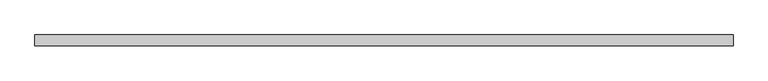
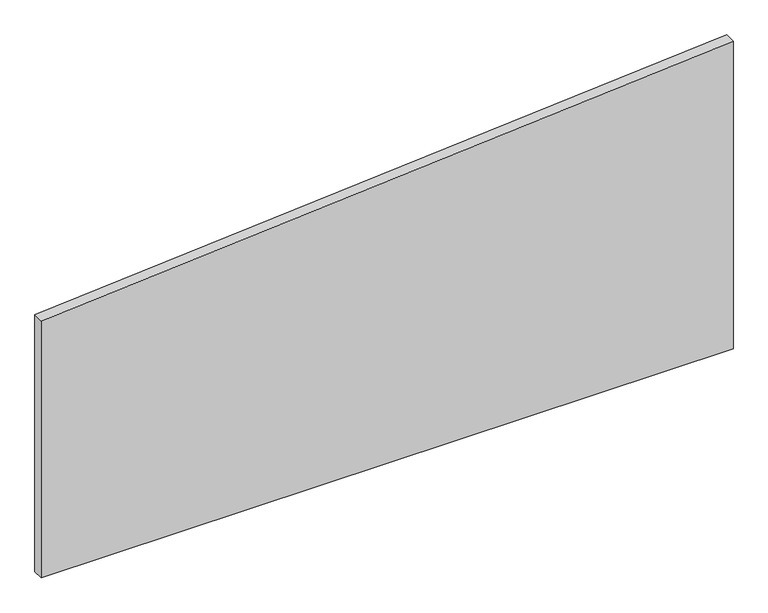
"""IFC4 building model written with IfcOpenShell, lengths in millimetres: plate geometry."""

from ifc_helpers import new_model, si_unit, frame, origin, place, context, project, spatial, polyline, outline, extrude, source, transform, mapped, element, save


def plate_33b1b7cf(model_context):
    return source(origin(), model_context, "Body", "SweptSolid", [
        extrude(outline(polyline([(0.0, -800.0), (0.0, 800.0), (752.1298747, 800.0), (627.5879907, -800.0), (0.0, -800.0)])), frame((0.0, 24.5, 0.0), z_axis=(0.0, 1.0, 0.0), x_axis=(0.0, 0.0, 1.0)), (0.0, 0.0, 1.0), 25.0),
    ])


if __name__ == "__main__":
    model = new_model("IFC4")
    model_context = context("Model", 3, world=origin())
    ifc_project = project(units=[si_unit("LENGTHUNIT", "METRE", prefix="MILLI")], contexts=[model_context])
    site = spatial("IfcSite", under=ifc_project)
    building = spatial("IfcBuilding", under=site)
    placement = place(None, origin())
    plate_shape = plate_33b1b7cf(model_context)
    element("IfcPlate", 1, at=placement, inside=building, context=model_context, shape_type="MappedRepresentation", body=[
        mapped(plate_shape, transform((0.0, 0.0, 0.0), x_axis=(1.0, 0.0, 0.0), y_axis=(0.0, 1.0, 0.0), z_axis=(0.0, 0.0, 1.0))),
    ])
    save(model, "model.ifc")
